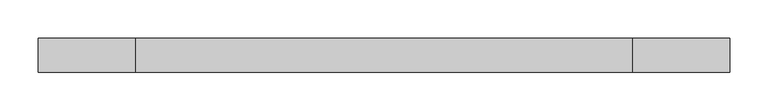
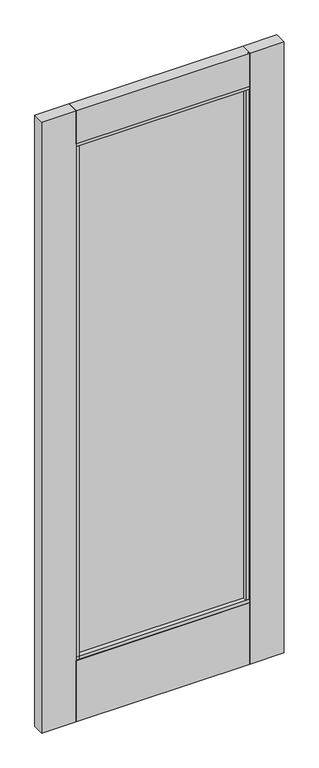
"""IFC4 building model written with IfcOpenShell, lengths in millimetres: plate geometry."""

import ifcopenshell
import ifcopenshell.guid

model = None  # the IFC model being written
_history = None  # IfcOwnerHistory: only IFC2X3 demands one
_inside = {}  # id of a spatial element -> (the spatial element, [elements in it])
_under = {}  # id of a project, library or spatial element -> (it, [spatial elements below it])
_declared = {}  # id of a project -> (the project, [libraries it declares])
_typed = {}  # id of a type object -> (the type object, [elements of that type])
_made_of = {}  # id of a material, layer set ... -> (it, [elements and type objects made of it])


def new_model(schema):
    """Start an empty IFC model of exactly this schema.

    Asked for "IFC4X3", IfcOpenShell would pick the latest addendum, in which some entities
    have other attributes; the version numbers below select the first issue.
    IFC2X3 requires an IfcOwnerHistory on every rooted entity: one is made here for all.
    """
    global model, _history
    if schema == "IFC4X3":
        model = ifcopenshell.file(schema_version=(4, 3, 0, 0))
    else:
        model = ifcopenshell.file(schema=schema)
    _inside.clear()
    _under.clear()
    _declared.clear()
    _typed.clear()
    _made_of.clear()
    _history = None
    if model.schema == "IFC2X3":
        org = make("IfcOrganization", Name="unknown")
        user = make(
            "IfcPersonAndOrganization",
            ThePerson=make("IfcPerson", FamilyName="unknown"),
            TheOrganization=org,
        )
        app = make(
            "IfcApplication",
            ApplicationDeveloper=org,
            Version="unknown",
            ApplicationFullName="unknown",
            ApplicationIdentifier="unknown",
        )
        _history = make(
            "IfcOwnerHistory",
            OwningUser=user,
            OwningApplication=app,
            ChangeAction="ADDED",
            CreationDate=0,
        )
    return model


def make(cls, **values):
    """One entity of the class cls with the attributes given. An attribute that is None is left unset."""
    return model.create_entity(
        cls, **{name: value for name, value in values.items() if value is not None}
    )


def rooted(cls, **values):
    """An entity with a GlobalId (a new one), such as an element, a storey or a relation."""
    return make(cls, GlobalId=ifcopenshell.guid.new(), OwnerHistory=_history, **values)


def si_unit(unit_type, name, prefix=None):
    """IfcSIUnit, for example si_unit("LENGTHUNIT", "METRE", prefix="MILLI")."""
    return make("IfcSIUnit", UnitType=unit_type, Prefix=prefix, Name=name)


def assignment(units):
    """IfcUnitAssignment: the units of a project."""
    return None if units is None else make("IfcUnitAssignment", Units=units)


def point(xyz):
    """IfcCartesianPoint."""
    return None if xyz is None else make("IfcCartesianPoint", Coordinates=xyz)


def direction(xyz):
    """IfcDirection."""
    return None if xyz is None else make("IfcDirection", DirectionRatios=xyz)


def frame(location, z_axis=None, x_axis=None):
    """IfcAxis2Placement3D, a coordinate frame: its origin and axes. An axis left out is left unset."""
    return make(
        "IfcAxis2Placement3D",
        Location=point(location),
        Axis=direction(z_axis),
        RefDirection=direction(x_axis),
    )


def origin():
    """The frame at (0, 0, 0) with its axes left unset."""
    return frame((0.0, 0.0, 0.0))


def place(relative_to, where):
    """IfcLocalPlacement: puts the frame where relative to a parent placement (None: the world)."""
    return make(
        "IfcLocalPlacement", PlacementRelTo=relative_to, RelativePlacement=where
    )


def context(
    kind, dimensions, precision=None, world=None, true_north=None, identifier=None
):
    """IfcGeometricRepresentationContext, for example the 3D "Model" context."""
    return make(
        "IfcGeometricRepresentationContext",
        ContextIdentifier=identifier,
        ContextType=kind,
        CoordinateSpaceDimension=dimensions,
        Precision=precision,
        WorldCoordinateSystem=world,
        TrueNorth=true_north,
    )


def project(units=None, contexts=None):
    """IfcProject with its units and contexts."""
    return rooted(
        "IfcProject",
        Name="project",
        RepresentationContexts=contexts,
        UnitsInContext=assignment(units),
    )


def spatial(cls, under=None, at=None, **own):
    """A site, building, storey or space (cls), placed at a placement, below another one or the project."""
    s = rooted(cls, ObjectPlacement=at, **own)
    if under is not None:
        _under.setdefault(under.id(), (under, []))[1].append(s)
    return s


def polyline(points):
    """IfcPolyline through the points."""
    return make("IfcPolyline", Points=[point(p) for p in points])


def outline(outer, holes=None, kind="AREA"):
    """IfcArbitraryClosedProfileDef: a profile drawn as a closed curve; with holes, ...WithVoids."""
    if holes is None:
        return make("IfcArbitraryClosedProfileDef", ProfileType=kind, OuterCurve=outer)
    return make(
        "IfcArbitraryProfileDefWithVoids",
        ProfileType=kind,
        OuterCurve=outer,
        InnerCurves=holes,
    )


def extrude(swept, where, along, depth):
    """IfcExtrudedAreaSolid: the profile swept, set in the frame where, extruded along a direction by depth."""
    return make(
        "IfcExtrudedAreaSolid",
        SweptArea=swept,
        Position=where,
        ExtrudedDirection=direction(along),
        Depth=depth,
    )


def shape(context_of_items, identifier, shape_type, items):
    """IfcShapeRepresentation: the items that make up one representation, for example the "Body"."""
    return make(
        "IfcShapeRepresentation",
        ContextOfItems=context_of_items,
        RepresentationIdentifier=identifier,
        RepresentationType=shape_type,
        Items=items,
    )


def source(mapping_origin, context_of_items, identifier, shape_type, items):
    """IfcRepresentationMap: a shape defined once, which mapped items show again and again."""
    return make(
        "IfcRepresentationMap",
        MappingOrigin=mapping_origin,
        MappedRepresentation=shape(context_of_items, identifier, shape_type, items),
    )


def transform(
    local_origin,
    x_axis=None,
    y_axis=None,
    z_axis=None,
    scale=None,
    scale2=None,
    scale3=None,
    uniform=True,
):
    """IfcCartesianTransformationOperator3D, or its non-uniform kind. x_axis, y_axis, z_axis: its Axis1, 2, 3."""
    if uniform:
        return make(
            "IfcCartesianTransformationOperator3D",
            Axis1=direction(x_axis),
            Axis2=direction(y_axis),
            LocalOrigin=point(local_origin),
            Scale=scale,
            Axis3=direction(z_axis),
        )
    return make(
        "IfcCartesianTransformationOperator3DnonUniform",
        Axis1=direction(x_axis),
        Axis2=direction(y_axis),
        LocalOrigin=point(local_origin),
        Scale=scale,
        Axis3=direction(z_axis),
        Scale2=scale2,
        Scale3=scale3,
    )


def mapped(mapping_source, mapping_target):
    """IfcMappedItem: shows the shape of a source again, moved by a transform."""
    return make(
        "IfcMappedItem", MappingSource=mapping_source, MappingTarget=mapping_target
    )


def made_of(thing, what):
    """Note that an element or type object is made of a material, layer set ...; save() writes the relation."""
    if what is not None:
        _made_of.setdefault(what.id(), (what, []))[1].append(thing)
    return thing


def element(
    cls,
    number,
    at=None,
    inside=None,
    cuts=None,
    type_object=None,
    material=None,
    context=None,
    identifier="Body",
    shape_type=None,
    held_by="IfcProductDefinitionShape",
    body=None,
    shapes=None,
    **own,
):
    """One element of the class cls, such as IfcWall. Its Tag is "e" and its number.

    at: its placement. inside: the storey or other place that contains it. cuts: it is an
    opening in that element (IfcRelVoidsElement). A single representation is given by context,
    identifier, shape_type and body (its items); several are given by shapes. held_by: the class
    of the entity that holds the representations. save() writes the other relations.
    """
    e = rooted(cls, Tag="e%d" % number, ObjectPlacement=at, **own)
    if body is not None:
        shapes = [shape(context, identifier, shape_type, body)]
    if shapes is not None:
        e.Representation = make(held_by, Representations=shapes)
    if inside is not None:
        _inside.setdefault(inside.id(), (inside, []))[1].append(e)
    if cuts is not None:
        rooted(
            "IfcRelVoidsElement", RelatingBuildingElement=cuts, RelatedOpeningElement=e
        )
    if type_object is not None:
        _typed.setdefault(type_object.id(), (type_object, []))[1].append(e)
    return made_of(e, material)


def aggregate(whole, parts):
    """IfcRelAggregates: a whole, such as a stair, and the parts it consists of."""
    return rooted("IfcRelAggregates", RelatingObject=whole, RelatedObjects=parts)


def save(model, path):
    """Write the relations noted so far, then the file.

    IfcRelAggregates (storeys below a building ...), IfcRelContainedInSpatialStructure (elements
    in a storey), IfcRelDefinesByType, IfcRelAssociatesMaterial and IfcRelDeclares: one each for
    every whole, place, type object, material and project.
    """
    for whole, parts in _under.values():
        aggregate(whole, parts)
    for where, things in _inside.values():
        rooted(
            "IfcRelContainedInSpatialStructure",
            RelatedElements=things,
            RelatingStructure=where,
        )
    for kind, things in _typed.values():
        rooted("IfcRelDefinesByType", RelatedObjects=things, RelatingType=kind)
    for what, things in _made_of.values():
        rooted("IfcRelAssociatesMaterial", RelatedObjects=things, RelatingMaterial=what)
    for by, libraries in _declared.values():
        rooted("IfcRelDeclares", RelatingContext=by, RelatedDefinitions=libraries)
    model.write(path)


def plate_67657a28(model_context):
    return source(origin(), model_context, "Body", "SweptSolid", [
        extrude(outline(polyline([(-31.75, 2427.2875), (12.7, 2427.2875), (12.7, 2297.13028), (11.1401195, 2297.13028), (11.1401195, 2284.427486), (-2.5250805, 2284.427486), (-2.5250805, 2296.333736), (-16.2152584, 2296.333736), (-16.2152584, 2284.427486), (-29.8804584, 2284.427486), (-29.8804584, 2297.13028), (-31.75, 2297.13028), (-31.75, 2427.2875)]), holes=[polyline([(10.31875, 2299.51153), (10.31875, 2424.90625), (-29.36875, 2424.90625), (-29.36875, 2299.51153), (-27.4992084, 2299.51153), (-27.4992084, 2286.808736), (-18.5965084, 2286.808736), (-18.5965084, 2298.714986), (-0.1438305, 2298.714986), (-0.1438305, 2286.808736), (8.7588695, 2286.808736), (8.7588695, 2299.51153), (10.31875, 2299.51153)])]), frame((-324.6304594, 0.0, 0.0), z_axis=(1.0, 0.0, 0.0), x_axis=(0.0, 1.0, 0.0)), (0.0, 0.0, 1.0), 649.2710344),
        extrude(outline(polyline([(-452.4375, 12.7), (-324.6304594, 12.7), (-324.6304594, 11.1401195), (-311.9304594, 11.1401195), (-311.9304594, -29.8804584), (-324.6304594, -29.8804584), (-324.6304594, -31.75), (-452.4375, -31.75), (-452.4375, 12.7)])), frame((0.0, 0.0, 17.4625), z_axis=(0.0, 0.0, 1.0), x_axis=(1.0, 0.0, 0.0)), (0.0, 0.0, 1.0), 2409.825),
        extrude(outline(polyline([(-320.3219957, -12.4866855), (-320.3219957, -6.1366855), (316.7216174, -6.1366855), (316.7216174, -12.4866855), (-320.3219957, -12.4866855)])), frame((0.0, 0.0, 263.906), z_axis=(0.0, 0.0, 1.0), x_axis=(1.0, 0.0, 0.0)), (0.0, 0.0, 1.0), 2028.458986),
        extrude(outline(polyline([(452.4375, 12.7), (452.4375, -31.75), (324.640575, -31.75), (324.640575, -27.6447968), (311.940575, -27.6447968), (311.940575, 11.1401195), (324.640575, 11.1401195), (324.640575, 12.7), (452.4375, 12.7)])), frame((0.0, 0.0, 17.4625), z_axis=(0.0, 0.0, 1.0), x_axis=(1.0, 0.0, 0.0)), (0.0, 0.0, 1.0), 2409.825),
        extrude(outline(polyline([(-29.8804584, 271.4298836), (11.1401195, 271.4298836), (11.1401195, 258.7303916), (12.7, 258.7303916), (12.7, 17.4625), (-31.75, 17.4625), (-31.75, 258.7303916), (-29.8804584, 258.7303916), (-29.8804584, 271.4298836)])), frame((-324.6304594, 0.0, 0.0), z_axis=(1.0, 0.0, 0.0), x_axis=(0.0, 1.0, 0.0)), (0.0, 0.0, 1.0), 649.2710344),
    ])


if __name__ == "__main__":
    model = new_model("IFC4")
    model_context = context("Model", 3, world=origin())
    ifc_project = project(units=[si_unit("LENGTHUNIT", "METRE", prefix="MILLI")], contexts=[model_context])
    site = spatial("IfcSite", under=ifc_project)
    building = spatial("IfcBuilding", under=site)
    placement = place(None, origin())
    plate_shape = plate_67657a28(model_context)
    element("IfcPlate", 1, at=placement, inside=building, context=model_context, shape_type="MappedRepresentation", body=[
        mapped(plate_shape, transform((0.0, 0.0, 0.0), x_axis=(1.0, 0.0, 0.0), y_axis=(0.0, 1.0, 0.0), z_axis=(0.0, 0.0, 1.0))),
    ])
    save(model, "model.ifc")
